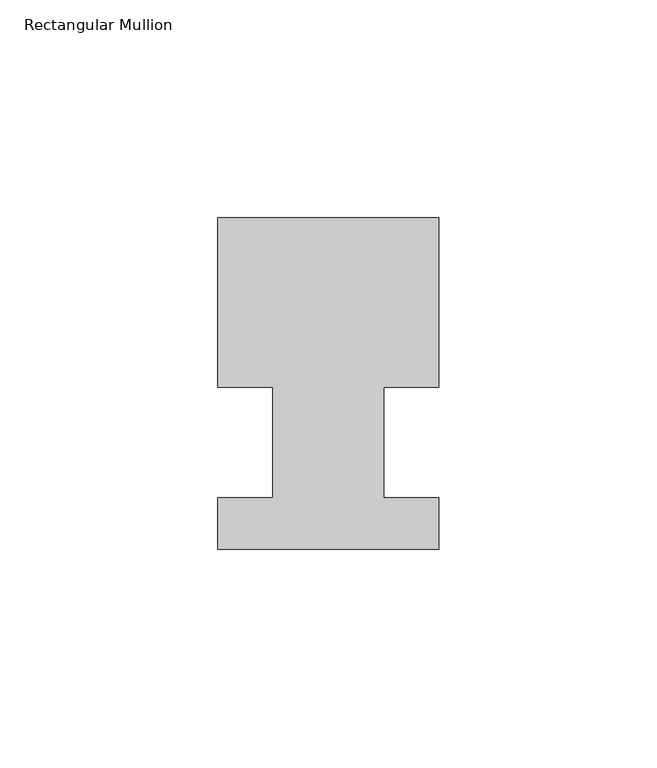
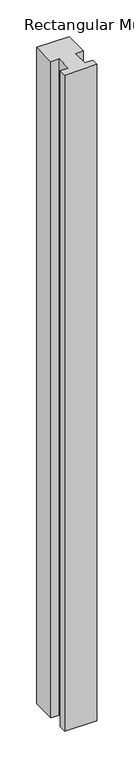
"""IFC4 building model written with IfcOpenShell, lengths in millimetres: member geometry, Rectangular Mullion."""

from ifc_helpers import new_model, si_unit, frame, origin, place, context, project, spatial, polyline, outline, extrude, source, transform, mapped, element, save


def rectangular_mullion_bf3ef271(model_context):
    return source(origin(), model_context, "Body", "SweptSolid", [
        extrude(outline(polyline([(29.7344027, 51.59375), (29.7344027, 12.7), (17.0326322, 12.7), (17.0326322, -12.7), (29.7344027, -12.7), (29.7344027, -24.60625), (-21.0655973, -24.60625), (-21.0655973, -12.7), (-8.3655973, -12.7), (-8.3655973, 12.7), (-21.0655973, 12.7), (-21.0655973, 51.59375), (29.7344027, 51.59375)])), frame((0.0, 0.0, -1091.0405973), z_axis=(0.0, 0.0, 1.0), x_axis=(1.0, 0.0, 0.0)), (0.0, 0.0, 1.0), 1091.0405973),
    ])


if __name__ == "__main__":
    model = new_model("IFC4")
    model_context = context("Model", 3, world=origin())
    ifc_project = project(units=[si_unit("LENGTHUNIT", "METRE", prefix="MILLI")], contexts=[model_context])
    site = spatial("IfcSite", under=ifc_project)
    building = spatial("IfcBuilding", under=site)
    placement = place(None, origin())
    rectangular_mullion_shape = rectangular_mullion_bf3ef271(model_context)
    element("IfcMember", 1, ObjectType="Rectangular Mullion", at=placement, inside=building, context=model_context, shape_type="MappedRepresentation", body=[
        mapped(rectangular_mullion_shape, transform((0.0, 0.0, 0.0), x_axis=(1.0, 0.0, 0.0), y_axis=(0.0, 1.0, 0.0), z_axis=(0.0, 0.0, 1.0))),
    ])
    save(model, "model.ifc")
